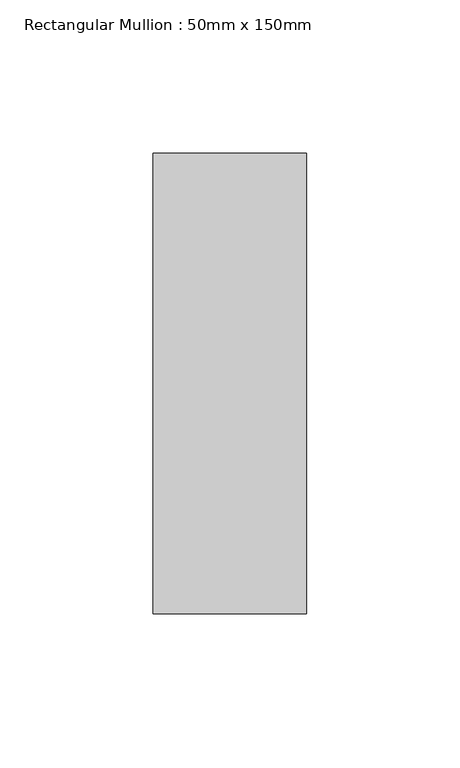
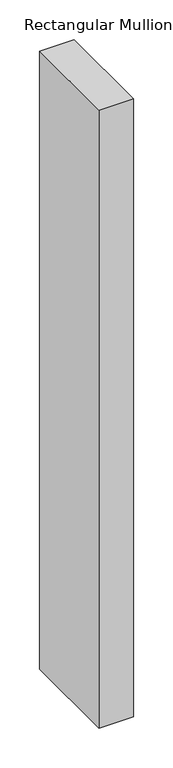
"""IFC4 building model written with IfcOpenShell, lengths in millimetres: member geometry, Rectangular Mullion : 50mm x 150mm."""

from ifc_helpers import new_model, si_unit, frame, origin, place, context, project, spatial, polyline, outline, extrude, source, transform, mapped, element, save


def rectangular_mullion_50mm_x_150mm_a053b0ca(model_context):
    return source(origin(), model_context, "Body", "SweptSolid", [
        extrude(outline(polyline([(25.0, 75.0), (25.0, -75.0), (-25.0, -75.0), (-25.0, 75.0), (25.0, 75.0)])), frame((0.0, 0.0, -950.0), z_axis=(0.0, 0.0, 1.0), x_axis=(1.0, 0.0, 0.0)), (0.0, 0.0, 1.0), 950.0),
    ])


if __name__ == "__main__":
    model = new_model("IFC4")
    model_context = context("Model", 3, world=origin())
    ifc_project = project(units=[si_unit("LENGTHUNIT", "METRE", prefix="MILLI")], contexts=[model_context])
    site = spatial("IfcSite", under=ifc_project)
    building = spatial("IfcBuilding", under=site)
    placement = place(None, origin())
    rectangular_mullion_50mm_x_150mm_shape = rectangular_mullion_50mm_x_150mm_a053b0ca(model_context)
    element("IfcMember", 1, ObjectType="Rectangular Mullion : 50mm x 150mm", at=placement, inside=building, context=model_context, shape_type="MappedRepresentation", body=[
        mapped(rectangular_mullion_50mm_x_150mm_shape, transform((0.0, 0.0, 0.0), x_axis=(1.0, 0.0, 0.0), y_axis=(0.0, 1.0, 0.0), z_axis=(0.0, 0.0, 1.0))),
    ])
    save(model, "model.ifc")
